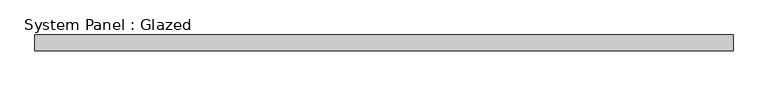
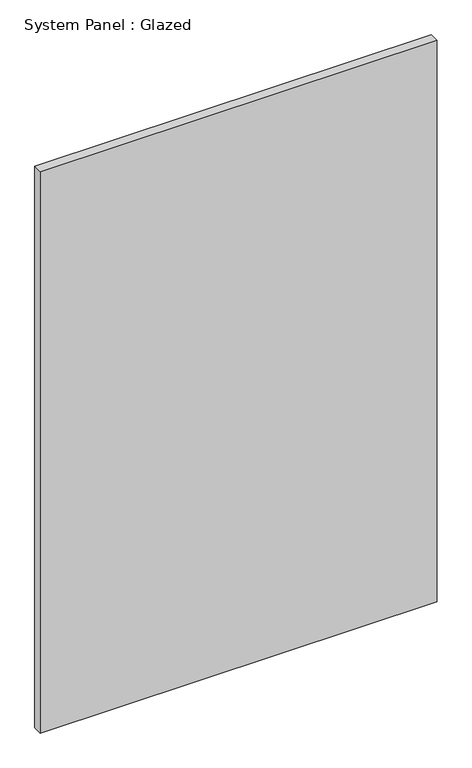
"""IFC4 building model written with IfcOpenShell, lengths in millimetres: plate geometry, System Panel : Glazed."""

import ifcopenshell
import ifcopenshell.guid

model = None  # the IFC model being written
_history = None  # IfcOwnerHistory: only IFC2X3 demands one
_inside = {}  # id of a spatial element -> (the spatial element, [elements in it])
_under = {}  # id of a project, library or spatial element -> (it, [spatial elements below it])
_declared = {}  # id of a project -> (the project, [libraries it declares])
_typed = {}  # id of a type object -> (the type object, [elements of that type])
_made_of = {}  # id of a material, layer set ... -> (it, [elements and type objects made of it])


def new_model(schema):
    """Start an empty IFC model of exactly this schema.

    Asked for "IFC4X3", IfcOpenShell would pick the latest addendum, in which some entities
    have other attributes; the version numbers below select the first issue.
    IFC2X3 requires an IfcOwnerHistory on every rooted entity: one is made here for all.
    """
    global model, _history
    if schema == "IFC4X3":
        model = ifcopenshell.file(schema_version=(4, 3, 0, 0))
    else:
        model = ifcopenshell.file(schema=schema)
    _inside.clear()
    _under.clear()
    _declared.clear()
    _typed.clear()
    _made_of.clear()
    _history = None
    if model.schema == "IFC2X3":
        org = make("IfcOrganization", Name="unknown")
        user = make(
            "IfcPersonAndOrganization",
            ThePerson=make("IfcPerson", FamilyName="unknown"),
            TheOrganization=org,
        )
        app = make(
            "IfcApplication",
            ApplicationDeveloper=org,
            Version="unknown",
            ApplicationFullName="unknown",
            ApplicationIdentifier="unknown",
        )
        _history = make(
            "IfcOwnerHistory",
            OwningUser=user,
            OwningApplication=app,
            ChangeAction="ADDED",
            CreationDate=0,
        )
    return model


def make(cls, **values):
    """One entity of the class cls with the attributes given. An attribute that is None is left unset."""
    return model.create_entity(
        cls, **{name: value for name, value in values.items() if value is not None}
    )


def rooted(cls, **values):
    """An entity with a GlobalId (a new one), such as an element, a storey or a relation."""
    return make(cls, GlobalId=ifcopenshell.guid.new(), OwnerHistory=_history, **values)


def si_unit(unit_type, name, prefix=None):
    """IfcSIUnit, for example si_unit("LENGTHUNIT", "METRE", prefix="MILLI")."""
    return make("IfcSIUnit", UnitType=unit_type, Prefix=prefix, Name=name)


def assignment(units):
    """IfcUnitAssignment: the units of a project."""
    return None if units is None else make("IfcUnitAssignment", Units=units)


def point(xyz):
    """IfcCartesianPoint."""
    return None if xyz is None else make("IfcCartesianPoint", Coordinates=xyz)


def direction(xyz):
    """IfcDirection."""
    return None if xyz is None else make("IfcDirection", DirectionRatios=xyz)


def frame(location, z_axis=None, x_axis=None):
    """IfcAxis2Placement3D, a coordinate frame: its origin and axes. An axis left out is left unset."""
    return make(
        "IfcAxis2Placement3D",
        Location=point(location),
        Axis=direction(z_axis),
        RefDirection=direction(x_axis),
    )


def origin():
    """The frame at (0, 0, 0) with its axes left unset."""
    return frame((0.0, 0.0, 0.0))


def origin_with_axes():
    """The frame at (0, 0, 0) with the z axis (0, 0, 1) and the x axis (1, 0, 0) written out."""
    return frame((0.0, 0.0, 0.0), z_axis=(0.0, 0.0, 1.0), x_axis=(1.0, 0.0, 0.0))


def place(relative_to, where):
    """IfcLocalPlacement: puts the frame where relative to a parent placement (None: the world)."""
    return make(
        "IfcLocalPlacement", PlacementRelTo=relative_to, RelativePlacement=where
    )


def context(
    kind, dimensions, precision=None, world=None, true_north=None, identifier=None
):
    """IfcGeometricRepresentationContext, for example the 3D "Model" context."""
    return make(
        "IfcGeometricRepresentationContext",
        ContextIdentifier=identifier,
        ContextType=kind,
        CoordinateSpaceDimension=dimensions,
        Precision=precision,
        WorldCoordinateSystem=world,
        TrueNorth=true_north,
    )


def project(units=None, contexts=None):
    """IfcProject with its units and contexts."""
    return rooted(
        "IfcProject",
        Name="project",
        RepresentationContexts=contexts,
        UnitsInContext=assignment(units),
    )


def spatial(cls, under=None, at=None, **own):
    """A site, building, storey or space (cls), placed at a placement, below another one or the project."""
    s = rooted(cls, ObjectPlacement=at, **own)
    if under is not None:
        _under.setdefault(under.id(), (under, []))[1].append(s)
    return s


def polyline(points):
    """IfcPolyline through the points."""
    return make("IfcPolyline", Points=[point(p) for p in points])


def outline(outer, holes=None, kind="AREA"):
    """IfcArbitraryClosedProfileDef: a profile drawn as a closed curve; with holes, ...WithVoids."""
    if holes is None:
        return make("IfcArbitraryClosedProfileDef", ProfileType=kind, OuterCurve=outer)
    return make(
        "IfcArbitraryProfileDefWithVoids",
        ProfileType=kind,
        OuterCurve=outer,
        InnerCurves=holes,
    )


def extrude(swept, where, along, depth):
    """IfcExtrudedAreaSolid: the profile swept, set in the frame where, extruded along a direction by depth."""
    return make(
        "IfcExtrudedAreaSolid",
        SweptArea=swept,
        Position=where,
        ExtrudedDirection=direction(along),
        Depth=depth,
    )


def shape(context_of_items, identifier, shape_type, items):
    """IfcShapeRepresentation: the items that make up one representation, for example the "Body"."""
    return make(
        "IfcShapeRepresentation",
        ContextOfItems=context_of_items,
        RepresentationIdentifier=identifier,
        RepresentationType=shape_type,
        Items=items,
    )


def source(mapping_origin, context_of_items, identifier, shape_type, items):
    """IfcRepresentationMap: a shape defined once, which mapped items show again and again."""
    return make(
        "IfcRepresentationMap",
        MappingOrigin=mapping_origin,
        MappedRepresentation=shape(context_of_items, identifier, shape_type, items),
    )


def transform(
    local_origin,
    x_axis=None,
    y_axis=None,
    z_axis=None,
    scale=None,
    scale2=None,
    scale3=None,
    uniform=True,
):
    """IfcCartesianTransformationOperator3D, or its non-uniform kind. x_axis, y_axis, z_axis: its Axis1, 2, 3."""
    if uniform:
        return make(
            "IfcCartesianTransformationOperator3D",
            Axis1=direction(x_axis),
            Axis2=direction(y_axis),
            LocalOrigin=point(local_origin),
            Scale=scale,
            Axis3=direction(z_axis),
        )
    return make(
        "IfcCartesianTransformationOperator3DnonUniform",
        Axis1=direction(x_axis),
        Axis2=direction(y_axis),
        LocalOrigin=point(local_origin),
        Scale=scale,
        Axis3=direction(z_axis),
        Scale2=scale2,
        Scale3=scale3,
    )


def mapped(mapping_source, mapping_target):
    """IfcMappedItem: shows the shape of a source again, moved by a transform."""
    return make(
        "IfcMappedItem", MappingSource=mapping_source, MappingTarget=mapping_target
    )


def made_of(thing, what):
    """Note that an element or type object is made of a material, layer set ...; save() writes the relation."""
    if what is not None:
        _made_of.setdefault(what.id(), (what, []))[1].append(thing)
    return thing


def element(
    cls,
    number,
    at=None,
    inside=None,
    cuts=None,
    type_object=None,
    material=None,
    context=None,
    identifier="Body",
    shape_type=None,
    held_by="IfcProductDefinitionShape",
    body=None,
    shapes=None,
    **own,
):
    """One element of the class cls, such as IfcWall. Its Tag is "e" and its number.

    at: its placement. inside: the storey or other place that contains it. cuts: it is an
    opening in that element (IfcRelVoidsElement). A single representation is given by context,
    identifier, shape_type and body (its items); several are given by shapes. held_by: the class
    of the entity that holds the representations. save() writes the other relations.
    """
    e = rooted(cls, Tag="e%d" % number, ObjectPlacement=at, **own)
    if body is not None:
        shapes = [shape(context, identifier, shape_type, body)]
    if shapes is not None:
        e.Representation = make(held_by, Representations=shapes)
    if inside is not None:
        _inside.setdefault(inside.id(), (inside, []))[1].append(e)
    if cuts is not None:
        rooted(
            "IfcRelVoidsElement", RelatingBuildingElement=cuts, RelatedOpeningElement=e
        )
    if type_object is not None:
        _typed.setdefault(type_object.id(), (type_object, []))[1].append(e)
    return made_of(e, material)


def aggregate(whole, parts):
    """IfcRelAggregates: a whole, such as a stair, and the parts it consists of."""
    return rooted("IfcRelAggregates", RelatingObject=whole, RelatedObjects=parts)


def save(model, path):
    """Write the relations noted so far, then the file.

    IfcRelAggregates (storeys below a building ...), IfcRelContainedInSpatialStructure (elements
    in a storey), IfcRelDefinesByType, IfcRelAssociatesMaterial and IfcRelDeclares: one each for
    every whole, place, type object, material and project.
    """
    for whole, parts in _under.values():
        aggregate(whole, parts)
    for where, things in _inside.values():
        rooted(
            "IfcRelContainedInSpatialStructure",
            RelatedElements=things,
            RelatingStructure=where,
        )
    for kind, things in _typed.values():
        rooted("IfcRelDefinesByType", RelatedObjects=things, RelatingType=kind)
    for what, things in _made_of.values():
        rooted("IfcRelAssociatesMaterial", RelatedObjects=things, RelatingMaterial=what)
    for by, libraries in _declared.values():
        rooted("IfcRelDeclares", RelatingContext=by, RelatedDefinitions=libraries)
    model.write(path)


def system_panel_glazed_79bb6843(model_context):
    return source(origin(), model_context, "Body", "SweptSolid", [
        extrude(outline(polyline([(561.975, 19.05), (-561.975, 19.05), (-561.975, 44.45), (561.975, 44.45), (561.975, 19.05)])), origin_with_axes(), (0.0, 0.0, 1.0), 1680.4946968),
    ])


if __name__ == "__main__":
    model = new_model("IFC4")
    model_context = context("Model", 3, world=origin())
    ifc_project = project(units=[si_unit("LENGTHUNIT", "METRE", prefix="MILLI")], contexts=[model_context])
    site = spatial("IfcSite", under=ifc_project)
    building = spatial("IfcBuilding", under=site)
    placement = place(None, origin())
    system_panel_glazed_shape = system_panel_glazed_79bb6843(model_context)
    element("IfcPlate", 1, ObjectType="System Panel : Glazed", at=placement, inside=building, context=model_context, shape_type="MappedRepresentation", body=[
        mapped(system_panel_glazed_shape, transform((0.0, 0.0, 0.0), x_axis=(1.0, 0.0, 0.0), y_axis=(0.0, 1.0, 0.0), z_axis=(0.0, 0.0, 1.0))),
    ])
    save(model, "model.ifc")
